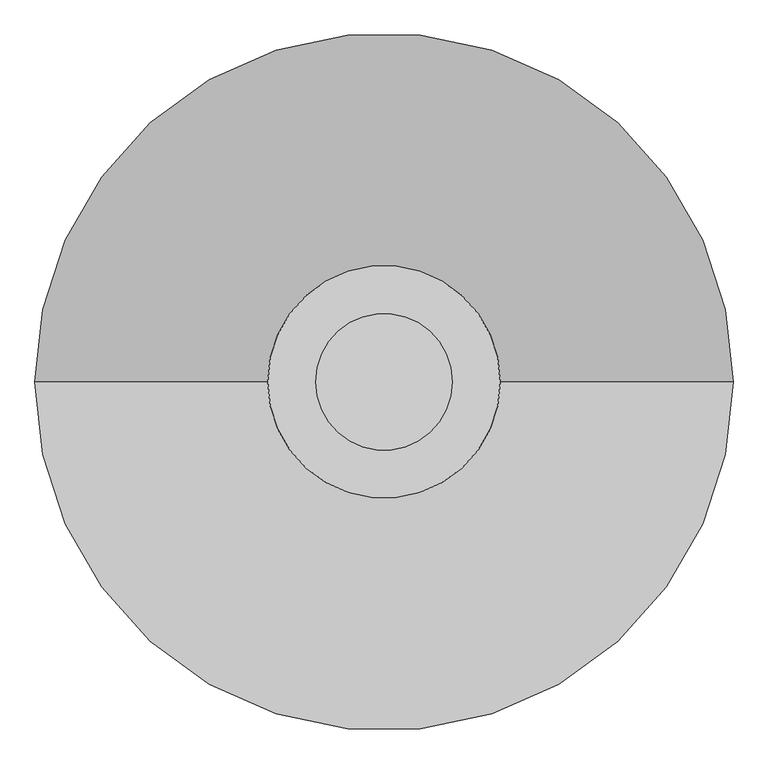
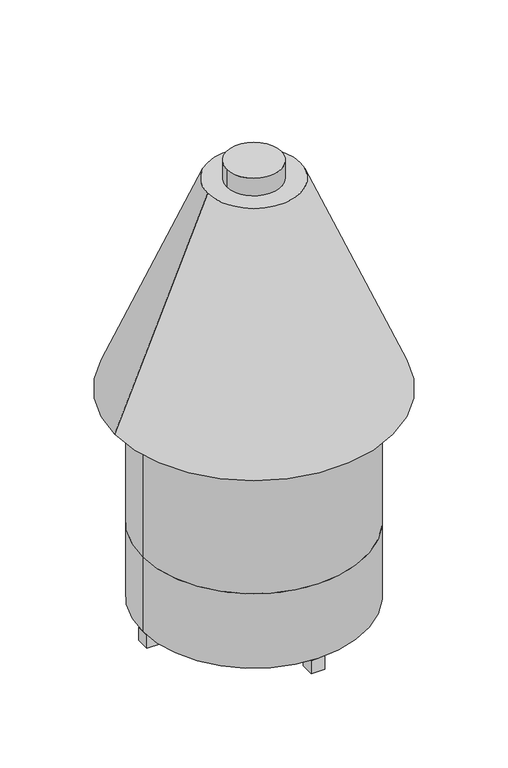
"""IFC4 building model written with IfcOpenShell, lengths in millimetres: proxy geometry."""

from ifc_helpers import new_model, si_unit, point, frame, origin, origin_with_axes, origin_2d, place, context, project, spatial, polyline, circle_curve, trimmed, segment, composite_curve, outline, extrude, source, transform, mapped, element, save
from ifc_brep_helpers import plane_surface, revolved_surface, advanced_brep


def generic_models_a4e2d088(model_context):
    return source(origin(), model_context, "Body", "SolidModel", [
        extrude(outline(polyline([(38.1, 532.20821), (-38.1, 532.20821), (-38.1, 608.40821), (38.1, 608.40821), (38.1, 532.20821)])), origin_with_axes(), (0.0, 0.0, 1.0), 76.2),
        extrude(outline(polyline([(608.40821, 38.1), (608.40821, -38.1), (532.20821, -38.1), (532.20821, 38.1), (608.40821, 38.1)])), origin_with_axes(), (0.0, 0.0, 1.0), 76.2),
        extrude(outline(polyline([(-608.40821, -38.1), (-608.40821, 38.1), (-532.20821, 38.1), (-532.20821, -38.1), (-608.40821, -38.1)])), origin_with_axes(), (0.0, 0.0, 1.0), 76.2),
        extrude(outline(polyline([(-38.1, -532.20821), (38.1, -532.20821), (38.1, -608.40821), (-38.1, -608.40821), (-38.1, -532.20821)])), origin_with_axes(), (0.0, 0.0, 1.0), 76.2),
        extrude(outline(composite_curve([segment(trimmed(circle_curve(origin_2d(), 149.225), [point((-149.225, 0.0))], [point((149.225, 0.0))], False, "CARTESIAN"), True, "CONTINUOUS"), segment(trimmed(circle_curve(origin_2d(), 149.225), [point((149.225, 0.0))], [point((-149.225, 0.0))], False, "CARTESIAN"), True, "CONTINUOUS")], self_intersect=False)), frame((0.0, 0.0, 2489.2), z_axis=(0.0, 0.0, 1.0), x_axis=(1.0, 0.0, 0.0)), (0.0, 0.0, 1.0), 101.6),
        advanced_brep(
        [(-254.0, 0.0, 2489.2), (254.0, 0.0, 2489.2), (-762.0, 0.0, 1270.0), (762.0, 0.0, 1270.0)],
        [
            (0, 1, circle_curve(frame((0.0, 0.0, 2489.2), z_axis=(0.0, 0.0, 1.0), x_axis=(-1.0, 0.0, 0.0)), 254.0)),
            (1, 0, circle_curve(frame((0.0, 0.0, 2489.2), z_axis=(0.0, 0.0, 1.0), x_axis=(1.0, 0.0, 0.0)), 254.0)),
            (2, 3, circle_curve(frame((0.0, 0.0, 1270.0), z_axis=(0.0, 0.0, -1.0), x_axis=(1.0, 0.0, 0.0)), 762.0)),
            (3, 2, circle_curve(frame((0.0, 0.0, 1270.0), z_axis=(0.0, 0.0, -1.0), x_axis=(-1.0, 0.0, 0.0)), 762.0)),
            (3, 1),
            (0, 2),
        ],
        [
            plane_surface(frame((0.0, 0.0, 2489.2), z_axis=(0.0, 0.0, 1.0), x_axis=(0.0, -1.0, 0.0))),
            plane_surface(frame((0.0, 0.0, 1270.0), z_axis=(0.0, 0.0, -1.0), x_axis=(0.0, -1.0, 0.0))),
            revolved_surface(polyline([(-254.0000000000001, 0.0, 2489.2), (-762.0, 0.0, 1270.0)]), (0.0, 0.0, 3098.8), (0.0, 0.0, -1.0)),
            revolved_surface(polyline([(254.0000000000001, 0.0, 2489.2), (762.0, 0.0, 1270.0)]), (0.0, 0.0, 3098.8), (0.0, 0.0, -1.0)),
        ],
        [
            (0, [[1, 2]]),
            (1, [[3, 4]]),
            (2, [[-4, 5, -1, 6]]),
            (3, [[-3, -6, -2, -5]]),
        ],
    ),
        extrude(outline(composite_curve([segment(trimmed(circle_curve(origin_2d(), 609.6), [point((609.6, 0.0))], [point((-609.6, 0.0))], False, "CARTESIAN"), True, "CONTINUOUS"), segment(trimmed(circle_curve(origin_2d(), 609.6), [point((-609.6, 0.0))], [point((609.6, 0.0))], False, "CARTESIAN"), True, "CONTINUOUS")], self_intersect=False)), frame((0.0, 0.0, 508.0), z_axis=(0.0, 0.0, 1.0), x_axis=(1.0, 0.0, 0.0)), (0.0, 0.0, 1.0), 762.0),
        extrude(outline(composite_curve([segment(trimmed(circle_curve(origin_2d(), 609.6), [point((-609.6, 0.0))], [point((609.6, 0.0))], False, "CARTESIAN"), True, "CONTINUOUS"), segment(trimmed(circle_curve(origin_2d(), 609.6), [point((609.6, 0.0))], [point((-609.6, 0.0))], False, "CARTESIAN"), True, "CONTINUOUS")], self_intersect=False)), frame((0.0, 0.0, 76.2), z_axis=(0.0, 0.0, 1.0), x_axis=(1.0, 0.0, 0.0)), (0.0, 0.0, 1.0), 431.8),
    ])


if __name__ == "__main__":
    model = new_model("IFC4")
    model_context = context("Model", 3, world=origin())
    ifc_project = project(units=[si_unit("LENGTHUNIT", "METRE", prefix="MILLI")], contexts=[model_context])
    site = spatial("IfcSite", under=ifc_project)
    building = spatial("IfcBuilding", under=site)
    placement = place(None, origin())
    generic_models_shape = generic_models_a4e2d088(model_context)
    element("IfcBuildingElementProxy", 1, Name="Generic Models", at=placement, inside=building, context=model_context, shape_type="MappedRepresentation", body=[
        mapped(generic_models_shape, transform((0.0, 0.0, 0.0), x_axis=(1.0, 0.0, 0.0), y_axis=(0.0, 1.0, 0.0), z_axis=(0.0, 0.0, 1.0))),
    ])
    save(model, "model.ifc")
